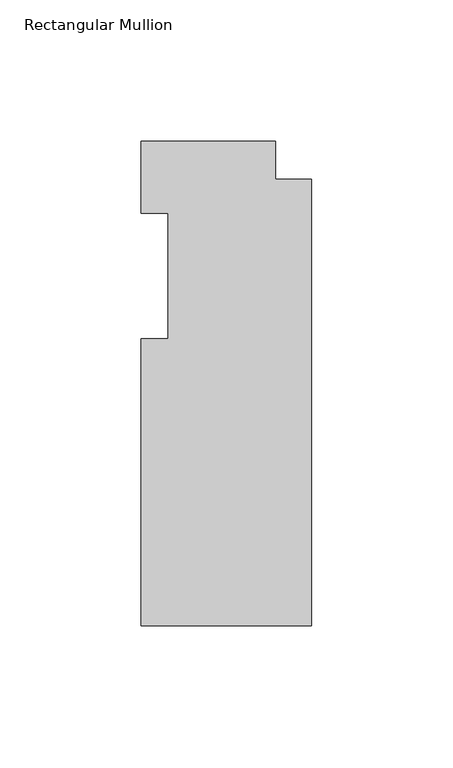
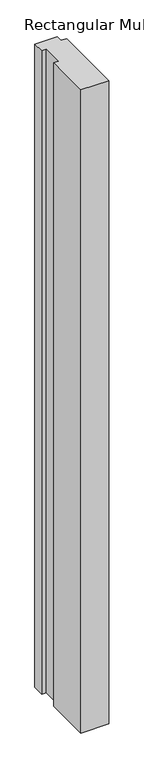
"""IFC4 building model written with IfcOpenShell, lengths in millimetres: member geometry, Rectangular Mullion."""

from ifc_helpers import new_model, si_unit, frame, origin, place, context, project, spatial, polyline, outline, extrude, source, transform, mapped, element, save


def rectangular_mullion_81699901(model_context):
    return source(origin(), model_context, "Body", "SweptSolid", [
        extrude(outline(polyline([(-60.325, -22.225), (-50.8, -22.225), (-50.8, 22.225), (-60.325, 22.225), (-60.325, 47.625), (-12.7, 47.625), (-12.7, 34.13125), (0.0, 34.13125), (0.0, -123.825), (-60.325, -123.825), (-60.325, -22.225)])), frame((0.0, 0.0, -1463.675), z_axis=(0.0, 0.0, 1.0), x_axis=(1.0, 0.0, 0.0)), (0.0, 0.0, 1.0), 1463.675),
    ])


if __name__ == "__main__":
    model = new_model("IFC4")
    model_context = context("Model", 3, world=origin())
    ifc_project = project(units=[si_unit("LENGTHUNIT", "METRE", prefix="MILLI")], contexts=[model_context])
    site = spatial("IfcSite", under=ifc_project)
    building = spatial("IfcBuilding", under=site)
    placement = place(None, origin())
    rectangular_mullion_shape = rectangular_mullion_81699901(model_context)
    element("IfcMember", 1, ObjectType="Rectangular Mullion", at=placement, inside=building, context=model_context, shape_type="MappedRepresentation", body=[
        mapped(rectangular_mullion_shape, transform((0.0, 0.0, 0.0), x_axis=(1.0, 0.0, 0.0), y_axis=(0.0, 1.0, 0.0), z_axis=(0.0, 0.0, 1.0))),
    ])
    save(model, "model.ifc")
